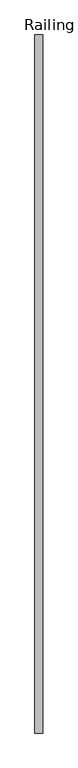
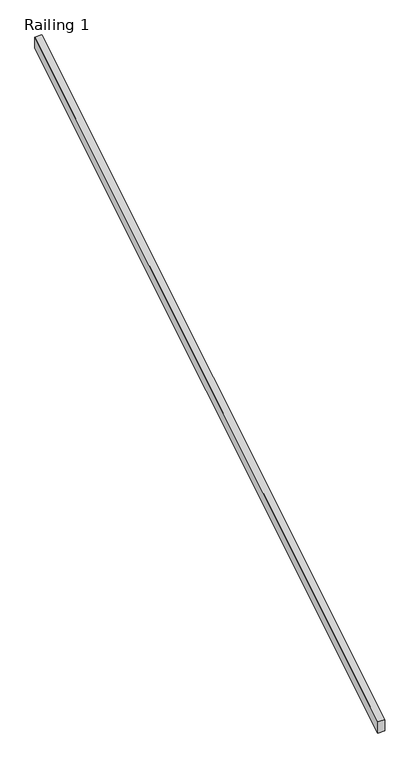
"""IFC4 building model written with IfcOpenShell, lengths in millimetres: railing geometry, Railing 1."""

from ifc_helpers import new_model, si_unit, frame, origin, place, context, project, spatial, polyline, outline, extrude, source, transform, mapped, element, save


def railing_1_ac37293f(model_context):
    return source(origin(), model_context, "Body", "SweptSolid", [
        extrude(outline(polyline([(157099.7596582, 1114.48665), (157099.7596582, 1203.8362395), (161570.1596582, 3941.0679687), (161570.1596582, 3851.7183792), (157099.7596582, 1114.48665)])), frame((203556.3728488, 0.0, 0.0), z_axis=(1.0, 0.0, 0.0), x_axis=(0.0, 1.0, 0.0)), (0.0, 0.0, 1.0), 50.8),
    ])


if __name__ == "__main__":
    model = new_model("IFC4")
    model_context = context("Model", 3, world=origin())
    ifc_project = project(units=[si_unit("LENGTHUNIT", "METRE", prefix="MILLI")], contexts=[model_context])
    site = spatial("IfcSite", under=ifc_project)
    building = spatial("IfcBuilding", under=site)
    placement = place(None, origin())
    railing_1_shape = railing_1_ac37293f(model_context)
    element("IfcRailing", 1, ObjectType="Railing 1", at=placement, inside=building, context=model_context, shape_type="MappedRepresentation", body=[
        mapped(railing_1_shape, transform((0.0, 0.0, 0.0), x_axis=(1.0, 0.0, 0.0), y_axis=(0.0, 1.0, 0.0), z_axis=(0.0, 0.0, 1.0))),
    ])
    save(model, "model.ifc")
